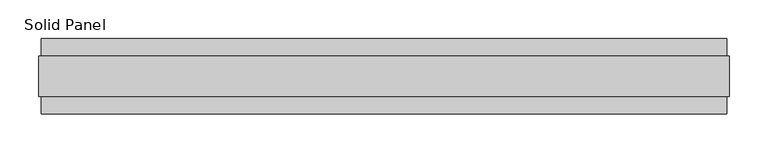
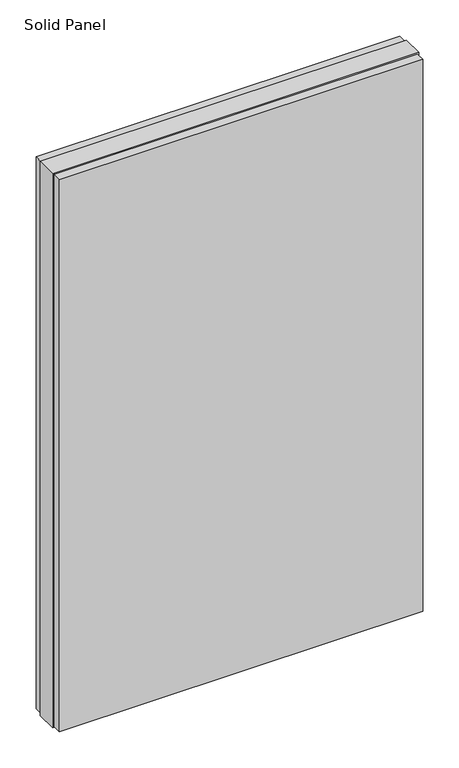
"""IFC4 building model written with IfcOpenShell, lengths in millimetres: plate geometry, Solid Panel."""

from ifc_helpers import new_model, si_unit, frame, origin, origin_with_axes, place, context, project, spatial, polyline, outline, extrude, source, transform, mapped, element, save


def solid_panel_9ccb6c53(model_context):
    return source(origin(), model_context, "Body", "SweptSolid", [
        extrude(outline(polyline([(441.5028, -48.4531867), (-441.5028, -48.4531867), (-441.5028, -25.9961), (441.5028, -25.9961), (441.5028, -48.4531867)])), frame((0.0, 0.0, 3.0099), z_axis=(0.0, 0.0, 1.0), x_axis=(1.0, 0.0, 0.0)), (0.0, 0.0, 1.0), 1416.3802),
        extrude(outline(polyline([(441.5028, 25.9977), (-441.5028, 25.9977), (-441.5028, 48.4547867), (441.5028, 48.4547867), (441.5028, 25.9977)])), frame((0.0, 0.0, 3.0099), z_axis=(0.0, 0.0, 1.0), x_axis=(1.0, 0.0, 0.0)), (0.0, 0.0, 1.0), 1416.3802),
        extrude(outline(polyline([(444.5, -25.9961), (-444.5, -25.9961), (-444.5, 25.9977), (444.5, 25.9977), (444.5, -25.9961)])), origin_with_axes(), (0.0, 0.0, 1.0), 1422.4),
    ])


if __name__ == "__main__":
    model = new_model("IFC4")
    model_context = context("Model", 3, world=origin())
    ifc_project = project(units=[si_unit("LENGTHUNIT", "METRE", prefix="MILLI")], contexts=[model_context])
    site = spatial("IfcSite", under=ifc_project)
    building = spatial("IfcBuilding", under=site)
    placement = place(None, origin())
    solid_panel_shape = solid_panel_9ccb6c53(model_context)
    element("IfcPlate", 1, ObjectType="Solid Panel", at=placement, inside=building, context=model_context, shape_type="MappedRepresentation", body=[
        mapped(solid_panel_shape, transform((0.0, 0.0, 0.0), x_axis=(1.0, 0.0, 0.0), y_axis=(0.0, 1.0, 0.0), z_axis=(0.0, 0.0, 1.0))),
    ])
    save(model, "model.ifc")
